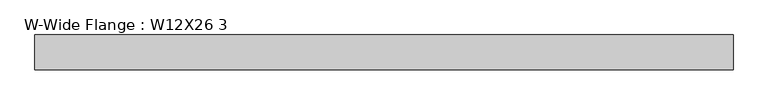
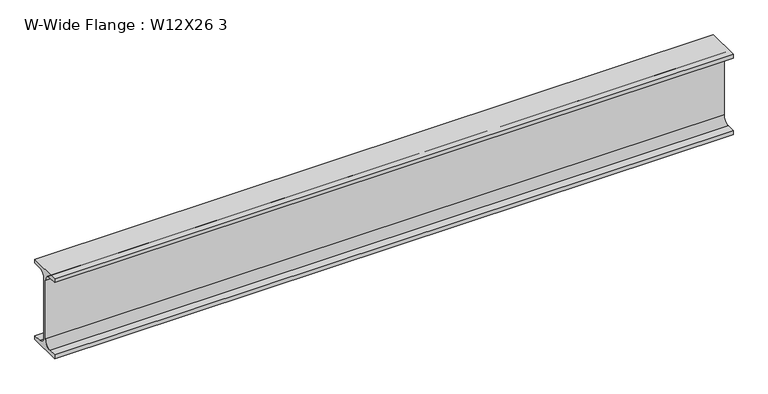
"""IFC4 building model written with IfcOpenShell, lengths in millimetres: beam geometry, W-Wide Flange : W12X26 3."""

from ifc_helpers import new_model, si_unit, point, frame, frame_2d, origin, place, context, project, spatial, polyline, circle_curve, trimmed, segment, composite_curve, outline, extrude, source, transform, mapped, element, save


def w_wide_flange_w12x26_3_487502c3(model_context):
    return source(origin(), model_context, "Body", "SweptSolid", [
        extrude(outline(composite_curve([segment(polyline([(40.0, -90.3757813), (40.0, -100.0), (-40.0, -100.0), (-40.0, -90.3757813), (-20.2902344, -90.3757813)]), True, "CONTINUOUS"), segment(trimmed(circle_curve(frame_2d((-20.2902344, -73.0125)), 17.3632813), [point((-20.2902344, -90.3757813))], [point((-2.9269531, -73.0125))], True, "CARTESIAN"), True, "CONTINUOUS"), segment(polyline([(-2.9269531, -73.0125), (-2.9269531, 73.0125)]), True, "CONTINUOUS"), segment(trimmed(circle_curve(frame_2d((-20.2902344, 73.0125)), 17.3632812), [point((-2.9269531, 73.0125))], [point((-20.2902344, 90.3757812))], True, "CARTESIAN"), True, "CONTINUOUS"), segment(polyline([(-20.2902344, 90.3757812), (-40.0, 90.3757812), (-40.0, 100.0), (40.0, 100.0), (40.0, 90.3757812), (20.2902344, 90.3757812)]), True, "CONTINUOUS"), segment(trimmed(circle_curve(frame_2d((20.2902344, 73.0125)), 17.3632812), [point((20.2902344, 90.3757812))], [point((2.9269531, 73.0125))], True, "CARTESIAN"), True, "CONTINUOUS"), segment(polyline([(2.9269531, 73.0125), (2.9269531, -73.0125)]), True, "CONTINUOUS"), segment(trimmed(circle_curve(frame_2d((20.2902344, -73.0125)), 17.3632812), [point((2.9269531, -73.0125))], [point((20.2902344, -90.3757813))], True, "CARTESIAN"), True, "CONTINUOUS"), segment(polyline([(20.2902344, -90.3757813), (40.0, -90.3757813)]), True, "CONTINUOUS")], self_intersect=False)), frame((-826.2, 0.0, 0.0), z_axis=(1.0, 0.0, 0.0), x_axis=(0.0, 1.0, 0.0)), (0.0, 0.0, 1.0), 1599.7),
    ])


if __name__ == "__main__":
    model = new_model("IFC4")
    model_context = context("Model", 3, world=origin())
    ifc_project = project(units=[si_unit("LENGTHUNIT", "METRE", prefix="MILLI")], contexts=[model_context])
    site = spatial("IfcSite", under=ifc_project)
    building = spatial("IfcBuilding", under=site)
    placement = place(None, origin())
    w_wide_flange_w12x26_3_shape = w_wide_flange_w12x26_3_487502c3(model_context)
    element("IfcBeam", 1, ObjectType="W-Wide Flange : W12X26 3", at=placement, inside=building, context=model_context, shape_type="MappedRepresentation", body=[
        mapped(w_wide_flange_w12x26_3_shape, transform((0.0, 0.0, 0.0), x_axis=(1.0, 0.0, 0.0), y_axis=(0.0, 1.0, 0.0), z_axis=(0.0, 0.0, 1.0))),
    ])
    save(model, "model.ifc")
